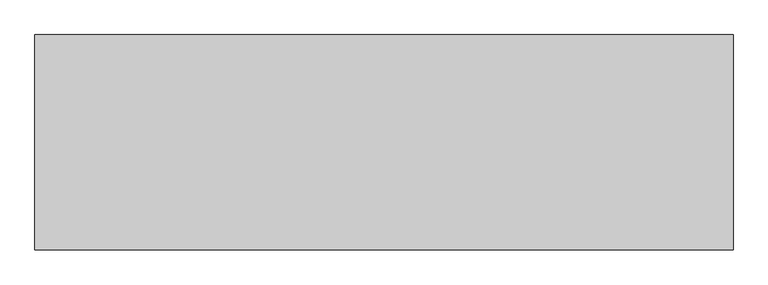
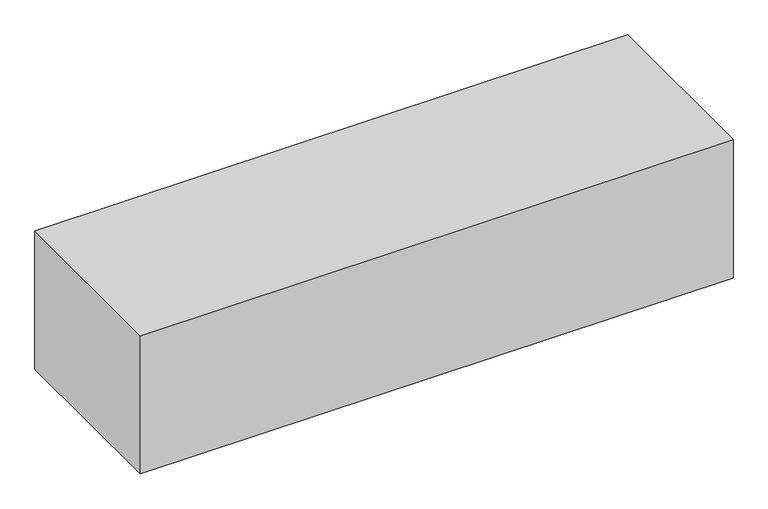
"""IFC4 building model written with IfcOpenShell, lengths in millimetres: geographic element geometry."""

from ifc_helpers import new_model, si_unit, origin, origin_with_axes, place, context, project, spatial, polyline, outline, extrude, source, transform, mapped, element, save


def geographic_element_d346bba0(model_context):
    return source(origin(), model_context, "Body", "SweptSolid", [
        extrude(outline(polyline([(0.0, 0.0), (0.0, 500.0), (1620.335251, 500.0), (1620.335251, 0.0), (0.0, 0.0)])), origin_with_axes(), (0.0, 0.0, 1.0), 400.0),
    ])


if __name__ == "__main__":
    model = new_model("IFC4")
    model_context = context("Model", 3, world=origin())
    ifc_project = project(units=[si_unit("LENGTHUNIT", "METRE", prefix="MILLI")], contexts=[model_context])
    site = spatial("IfcSite", under=ifc_project)
    building = spatial("IfcBuilding", under=site)
    placement = place(None, origin())
    geographic_element_shape = geographic_element_d346bba0(model_context)
    element("IfcGeographicElement", 1, at=placement, inside=building, context=model_context, shape_type="MappedRepresentation", body=[
        mapped(geographic_element_shape, transform((0.0, 0.0, 0.0), x_axis=(1.0, 0.0, 0.0), y_axis=(0.0, 1.0, 0.0), z_axis=(0.0, 0.0, 1.0))),
    ])
    save(model, "model.ifc")
